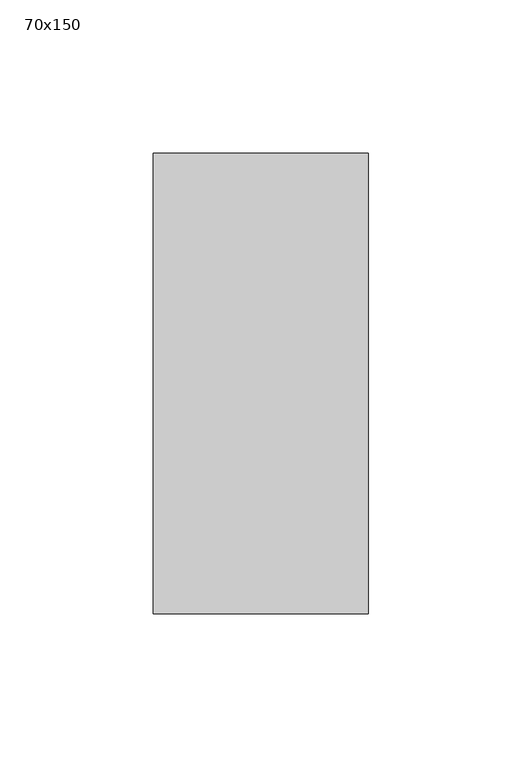
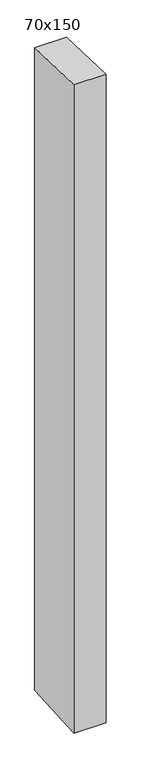
"""IFC4 building model written with IfcOpenShell, lengths in millimetres: member geometry, 70x150."""

from ifc_helpers import new_model, si_unit, frame, origin, place, context, project, spatial, polyline, outline, extrude, source, transform, mapped, element, save


def member_70x150_528270e4(model_context):
    return source(origin(), model_context, "Body", "SweptSolid", [
        extrude(outline(polyline([(-75.0, 2.4560751), (75.0, -2.4560751), (75.0, -1495.9441333), (-75.0, -1504.0487431), (-75.0, 2.4560751)])), frame((-35.0, 0.0, 0.0), z_axis=(1.0, 0.0, 0.0), x_axis=(0.0, 1.0, 0.0)), (0.0, 0.0, 1.0), 70.0),
    ])


if __name__ == "__main__":
    model = new_model("IFC4")
    model_context = context("Model", 3, world=origin())
    ifc_project = project(units=[si_unit("LENGTHUNIT", "METRE", prefix="MILLI")], contexts=[model_context])
    site = spatial("IfcSite", under=ifc_project)
    building = spatial("IfcBuilding", under=site)
    placement = place(None, origin())
    member_70x150_shape = member_70x150_528270e4(model_context)
    element("IfcMember", 1, ObjectType="70x150", at=placement, inside=building, context=model_context, shape_type="MappedRepresentation", body=[
        mapped(member_70x150_shape, transform((0.0, 0.0, 0.0), x_axis=(1.0, 0.0, 0.0), y_axis=(0.0, 1.0, 0.0), z_axis=(0.0, 0.0, 1.0))),
    ])
    save(model, "model.ifc")
